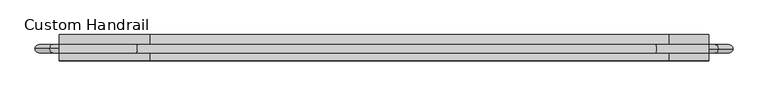
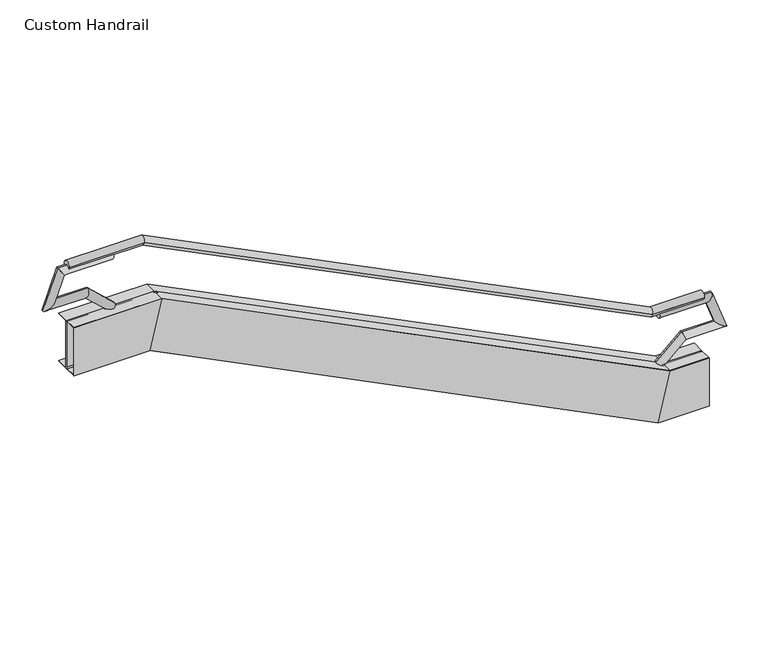
"""IFC4 building model written with IfcOpenShell, lengths in millimetres: railing geometry, Custom Handrail."""

from ifc_helpers import new_model, si_unit, frame, origin, place, context, project, spatial, polyline, circle_curve, ellipse_curve, faceted_brep, source, transform, mapped, element, save
from ifc_brep_helpers import plane_surface, cylinder_surface, revolved_surface, advanced_brep


def custom_handrail_f0fa3d19(model_context):
    return source(origin(), model_context, "Body", "SolidModel", [
        advanced_brep(
        [(1131.1479602, 1913.7735586, 863.6), (1131.1479602, 2015.3735586, 863.6), (509.5557069, 1913.7735586, 863.6), (509.5557069, 2015.3735586, 863.6), (-5586.4442931, 1913.7735586, 3911.6), (-5586.4442931, 2015.3735586, 3911.6), (-6488.8520398, 1913.7735586, 3911.6), (-6488.8520398, 2015.3735586, 3911.6)],
        [
            (0, 1, circle_curve(frame((1131.1479602, 1964.5735586, 863.6), z_axis=(1.0, 0.0, 0.0), x_axis=(0.0, 1.0, 0.0)), 50.8)),
            (1, 0, circle_curve(frame((1131.1479602, 1964.5735586, 863.6), z_axis=(1.0, 0.0, 0.0), x_axis=(0.0, 1.0, 0.0)), 50.8)),
            (0, 2),
            (2, 3, ellipse_curve(frame((509.5557069, 1964.5735586, 863.6), z_axis=(0.9732489894677302, 0.0, -0.22975292054736124), x_axis=(0.22975292054736096, 0.0, 0.9732489894677302)), 52.1963039, 50.8)),
            (3, 1),
            (3, 2, ellipse_curve(frame((509.5557069, 1964.5735586, 863.6), z_axis=(0.9732489894677302, 0.0, -0.22975292054736124), x_axis=(0.22975292054736096, 0.0, 0.9732489894677302)), 52.1963039, 50.8)),
            (2, 4),
            (4, 5, ellipse_curve(frame((-5586.4442931, 1964.5735586, 3911.6), z_axis=(0.9732489894677302, 0.0, -0.22975292054736132), x_axis=(-0.2297529205473615, 0.0, -0.9732489894677301)), 52.1963039, 50.8)),
            (5, 3),
            (5, 4, ellipse_curve(frame((-5586.4442931, 1964.5735586, 3911.6), z_axis=(0.9732489894677302, 0.0, -0.22975292054736132), x_axis=(-0.2297529205473615, 0.0, -0.9732489894677301)), 52.1963039, 50.8)),
            (6, 7, circle_curve(frame((-6488.8520398, 1964.5735586, 3911.6), z_axis=(-1.0, 0.0, 0.0), x_axis=(0.0, 1.0, 0.0)), 50.8)),
            (7, 6, circle_curve(frame((-6488.8520398, 1964.5735586, 3911.6), z_axis=(-1.0, 0.0, 0.0), x_axis=(0.0, 1.0, 0.0)), 50.8)),
            (4, 6),
            (7, 5),
        ],
        [
            plane_surface(frame((1131.1479602, 1964.5735586, 914.4), z_axis=(1.0, 0.0, 0.0), x_axis=(0.0, -1.0, 0.0))),
            cylinder_surface(frame((1131.1479602, 1964.5735586, 863.6), z_axis=(1.0, 0.0, 0.0), x_axis=(0.0, 1.0, 0.0)), 50.8),
            cylinder_surface(frame((498.8295095, 1964.5735586, 868.9630987), z_axis=(0.8944271909999159, 0.0, -0.44721359549995804), x_axis=(0.0, 1.0, 0.0)), 50.8),
            plane_surface(frame((-6488.8520398, 1964.5735586, 3962.4), z_axis=(-1.0, 0.0, 0.0), x_axis=(0.0, -1.0, 0.0))),
            cylinder_surface(frame((-5574.4520398, 1964.5735586, 3911.6), z_axis=(1.0, 0.0, 0.0), x_axis=(0.0, 1.0, 0.0)), 50.8),
        ],
        [
            (0, [[1, 2]]),
            (1, [[-1, 3, 4, 5]]),
            (1, [[-2, -5, 6, -3]]),
            (2, [[-4, 7, 8, 9]]),
            (2, [[-6, -9, 10, -7]]),
            (3, [[11, 12]]),
            (4, [[-8, 13, -12, 14]]),
            (4, [[-10, -14, -11, -13]]),
        ],
    ),
        advanced_brep(
        [(1131.1479602, 1824.8735586, -457.2), (1131.1479602, 1977.2735586, -457.2), (1131.1479602, 2129.6735586, -457.2), (1131.1479602, 2129.6735586, -450.85), (1131.1479602, 1996.3235586, -450.85), (1131.1479602, 1983.6235586, -438.15), (1131.1479602, 1983.6235586, 133.35), (1131.1479602, 1996.3235586, 146.05), (1131.1479602, 2129.6735586, 146.05), (1131.1479602, 2129.6735586, 152.4), (1131.1479602, 1977.2735586, 152.4), (1131.1479602, 1824.8735586, 152.4), (1131.1479602, 1824.8735586, 146.05), (1131.1479602, 1958.2235586, 146.05), (1131.1479602, 1970.9235586, 133.35), (1131.1479602, 1970.9235586, -438.15), (1131.1479602, 1958.2235586, -450.85), (1131.1479602, 1824.8735586, -450.85), (521.5479602, 1824.8735586, -457.2), (521.5479602, 1977.2735586, -457.2), (521.5479602, 2129.6735586, -457.2), (523.0469918, 2129.6735586, -450.85), (523.0469918, 1996.3235586, -450.85), (526.0450551, 1983.6235586, -438.15), (660.9579043, 1983.6235586, 133.35), (663.9559676, 1996.3235586, 146.05), (663.9559676, 2129.6735586, 146.05), (665.4549993, 2129.6735586, 152.4), (665.4549993, 1977.2735586, 152.4), (665.4549993, 1824.8735586, 152.4), (663.9559676, 1824.8735586, 146.05), (663.9559676, 1958.2235586, 146.05), (660.9579043, 1970.9235586, 133.35), (526.0450551, 1970.9235586, -438.15), (523.0469918, 1958.2235586, -450.85), (523.0469918, 1824.8735586, -450.85), (-5574.4520398, 1824.8735586, 2590.8), (-5574.4520398, 1977.2735586, 2590.8), (-5574.4520398, 2129.6735586, 2590.8), (-5572.9530082, 2129.6735586, 2597.15), (-5572.9530082, 1996.3235586, 2597.15), (-5569.9549449, 1983.6235586, 2609.85), (-5435.0420957, 1983.6235586, 3181.35), (-5432.0440324, 1996.3235586, 3194.05), (-5432.0440324, 2129.6735586, 3194.05), (-5430.5450007, 2129.6735586, 3200.4), (-5430.5450007, 1977.2735586, 3200.4), (-5430.5450007, 1824.8735586, 3200.4), (-5432.0440324, 1824.8735586, 3194.05), (-5432.0440324, 1958.2235586, 3194.05), (-5435.0420957, 1970.9235586, 3181.35), (-5569.9549449, 1970.9235586, 2609.85), (-5572.9530082, 1958.2235586, 2597.15), (-5572.9530082, 1824.8735586, 2597.15), (-6488.8520398, 1824.8735586, 2590.8), (-6488.8520398, 1824.8735586, 2597.15), (-6488.8520398, 1958.2235586, 2597.15), (-6488.8520398, 1970.9235586, 2609.85), (-6488.8520398, 1970.9235586, 3181.35), (-6488.8520398, 1958.2235586, 3194.05), (-6488.8520398, 1824.8735586, 3194.05), (-6488.8520398, 1824.8735586, 3200.4), (-6488.8520398, 1977.2735586, 3200.4), (-6488.8520398, 2129.6735586, 3200.4), (-6488.8520398, 2129.6735586, 3194.05), (-6488.8520398, 1996.3235586, 3194.05), (-6488.8520398, 1983.6235586, 3181.35), (-6488.8520398, 1983.6235586, 2609.85), (-6488.8520398, 1996.3235586, 2597.15), (-6488.8520398, 2129.6735586, 2597.15), (-6488.8520398, 2129.6735586, 2590.8), (-6488.8520398, 1977.2735586, 2590.8)],
        [
            (0, 1),
            (1, 2),
            (2, 3),
            (3, 4),
            (4, 5, circle_curve(frame((1131.1479602, 1996.3235586, -438.15), z_axis=(-1.0, 0.0, 0.0), x_axis=(0.0, 1.0, 0.0)), 12.7)),
            (5, 6),
            (6, 7, circle_curve(frame((1131.1479602, 1996.3235586, 133.35), z_axis=(-1.0, 0.0, 0.0), x_axis=(0.0, 1.0, 0.0)), 12.7)),
            (7, 8),
            (8, 9),
            (9, 10),
            (10, 11),
            (11, 12),
            (12, 13),
            (13, 14, circle_curve(frame((1131.1479602, 1958.2235586, 133.35), z_axis=(-1.0, 0.0, 0.0), x_axis=(0.0, 1.0, 0.0)), 12.7)),
            (14, 15),
            (15, 16, circle_curve(frame((1131.1479602, 1958.2235586, -438.15), z_axis=(-1.0, 0.0, 0.0), x_axis=(0.0, 1.0, 0.0)), 12.7)),
            (16, 17),
            (17, 0),
            (0, 18),
            (18, 19),
            (19, 1),
            (19, 20),
            (20, 2),
            (20, 21),
            (21, 3),
            (21, 22),
            (22, 4),
            (22, 23, ellipse_curve(frame((526.0450551, 1996.3235586, -438.15), z_axis=(-0.9732489894677302, 0.0, 0.22975292054736124), x_axis=(-0.22975292054736096, 0.0, -0.9732489894677302)), 13.049076, 12.7)),
            (23, 5),
            (23, 24),
            (24, 6),
            (24, 25, ellipse_curve(frame((660.9579043, 1996.3235586, 133.35), z_axis=(-0.9732489894677302, 0.0, 0.22975292054736124), x_axis=(-0.22975292054736096, 0.0, -0.9732489894677302)), 13.049076, 12.7)),
            (25, 7),
            (25, 26),
            (26, 8),
            (26, 27),
            (27, 9),
            (27, 28),
            (28, 10),
            (28, 29),
            (29, 11),
            (29, 30),
            (30, 12),
            (30, 31),
            (31, 13),
            (31, 32, ellipse_curve(frame((660.9579043, 1958.2235586, 133.35), z_axis=(-0.9732489894677302, 0.0, 0.22975292054736124), x_axis=(-0.22975292054736096, 0.0, -0.9732489894677302)), 13.049076, 12.7)),
            (32, 14),
            (32, 33),
            (33, 15),
            (33, 34, ellipse_curve(frame((526.0450551, 1958.2235586, -438.15), z_axis=(-0.9732489894677302, 0.0, 0.22975292054736124), x_axis=(-0.22975292054736096, 0.0, -0.9732489894677302)), 13.049076, 12.7)),
            (34, 16),
            (34, 35),
            (35, 17),
            (35, 18),
            (18, 36),
            (36, 37),
            (37, 19),
            (37, 38),
            (38, 20),
            (38, 39),
            (39, 21),
            (39, 40),
            (40, 22),
            (40, 41, ellipse_curve(frame((-5569.9549449, 1996.3235586, 2609.85), z_axis=(-0.9732489894677302, 0.0, 0.22975292054736132), x_axis=(0.2297529205473615, 0.0, 0.9732489894677301)), 13.049076, 12.7)),
            (41, 23),
            (41, 42),
            (42, 24),
            (42, 43, ellipse_curve(frame((-5435.0420957, 1996.3235586, 3181.35), z_axis=(-0.9732489894677302, 0.0, 0.22975292054736132), x_axis=(0.2297529205473615, 0.0, 0.9732489894677301)), 13.049076, 12.7)),
            (43, 25),
            (43, 44),
            (44, 26),
            (44, 45),
            (45, 27),
            (45, 46),
            (46, 28),
            (46, 47),
            (47, 29),
            (47, 48),
            (48, 30),
            (48, 49),
            (49, 31),
            (49, 50, ellipse_curve(frame((-5435.0420957, 1958.2235586, 3181.35), z_axis=(-0.9732489894677302, 0.0, 0.22975292054736132), x_axis=(0.2297529205473615, 0.0, 0.9732489894677301)), 13.049076, 12.7)),
            (50, 32),
            (50, 51),
            (51, 33),
            (51, 52, ellipse_curve(frame((-5569.9549449, 1958.2235586, 2609.85), z_axis=(-0.9732489894677302, 0.0, 0.22975292054736132), x_axis=(0.2297529205473615, 0.0, 0.9732489894677301)), 13.049076, 12.7)),
            (52, 34),
            (52, 53),
            (53, 35),
            (53, 36),
            (54, 55),
            (55, 56),
            (56, 57, circle_curve(frame((-6488.8520398, 1958.2235586, 2609.85), z_axis=(1.0, 0.0, 0.0), x_axis=(0.0, 1.0, 0.0)), 12.7)),
            (57, 58),
            (58, 59, circle_curve(frame((-6488.8520398, 1958.2235586, 3181.35), z_axis=(1.0, 0.0, 0.0), x_axis=(0.0, 1.0, 0.0)), 12.7)),
            (59, 60),
            (60, 61),
            (61, 62),
            (62, 63),
            (63, 64),
            (64, 65),
            (65, 66, circle_curve(frame((-6488.8520398, 1996.3235586, 3181.35), z_axis=(1.0, 0.0, 0.0), x_axis=(0.0, 1.0, 0.0)), 12.7)),
            (66, 67),
            (67, 68, circle_curve(frame((-6488.8520398, 1996.3235586, 2609.85), z_axis=(1.0, 0.0, 0.0), x_axis=(0.0, 1.0, 0.0)), 12.7)),
            (68, 69),
            (69, 70),
            (70, 71),
            (71, 54),
            (36, 54),
            (71, 37),
            (70, 38),
            (69, 39),
            (68, 40),
            (67, 41),
            (66, 42),
            (65, 43),
            (64, 44),
            (63, 45),
            (62, 46),
            (61, 47),
            (60, 48),
            (59, 49),
            (58, 50),
            (57, 51),
            (56, 52),
            (55, 53),
        ],
        [
            plane_surface(frame((1131.1479602, 1977.2735586, -457.2), z_axis=(1.0, 0.0, 0.0), x_axis=(0.0, -1.0, 0.0))),
            plane_surface(frame((1131.1479602, 1824.8735586, -457.2), z_axis=(0.0, 0.0, -1.0), x_axis=(-1.0, 0.0, 0.0))),
            plane_surface(frame((1131.1479602, 1977.2735586, -457.2), z_axis=(0.0, 0.0, -1.0), x_axis=(-1.0, 0.0, 0.0))),
            plane_surface(frame((1131.1479602, 2129.6735586, -457.2), z_axis=(0.0, 1.0, 0.0), x_axis=(-1.0, 0.0, 0.0))),
            plane_surface(frame((1131.1479602, 2129.6735586, -450.85), z_axis=(0.0, 0.0, 1.0), x_axis=(-1.0, 0.0, 0.0))),
            revolved_surface(polyline([(523.0469917785556, 2009.0235586000001, -438.15), (1131.1479602, 2009.0235586000001, -438.15)]), (1131.1479602, 1996.3235586, -438.15), (-1.0, 0.0, 0.0)),
            plane_surface(frame((1131.1479602, 1983.6235586, -438.15), z_axis=(0.0, 1.0, 0.0), x_axis=(-1.0, 0.0, 0.0))),
            revolved_surface(polyline([(657.9598409785556, 2009.0235586000001, 133.35), (1131.1479602, 2009.0235586000001, 133.35)]), (1131.1479602, 1996.3235586, 133.35), (-1.0, 0.0, 0.0)),
            plane_surface(frame((1131.1479602, 1996.3235586, 146.05), z_axis=(0.0, 0.0, -1.0), x_axis=(-1.0, 0.0, 0.0))),
            plane_surface(frame((1131.1479602, 2129.6735586, 146.05), z_axis=(0.0, 1.0, 0.0), x_axis=(-1.0, 0.0, 0.0))),
            plane_surface(frame((1131.1479602, 2129.6735586, 152.4), z_axis=(0.0, 0.0, 1.0), x_axis=(-1.0, 0.0, 0.0))),
            plane_surface(frame((1131.1479602, 1977.2735586, 152.4), z_axis=(0.0, 0.0, 1.0), x_axis=(-1.0, 0.0, 0.0))),
            plane_surface(frame((1131.1479602, 1824.8735586, 152.4), z_axis=(0.0, -1.0, 0.0), x_axis=(-1.0, 0.0, 0.0))),
            plane_surface(frame((1131.1479602, 1824.8735586, 146.05), z_axis=(0.0, 0.0, -1.0), x_axis=(-1.0, 0.0, 0.0))),
            revolved_surface(polyline([(657.9598409785556, 1970.9235586, 133.35), (1131.1479602, 1970.9235586, 133.35)]), (1131.1479602, 1958.2235586, 133.35), (-1.0, 0.0, 0.0)),
            plane_surface(frame((1131.1479602, 1970.9235586, 133.35), z_axis=(0.0, -1.0, 0.0), x_axis=(-1.0, 0.0, 0.0))),
            revolved_surface(polyline([(523.0469917785556, 1970.9235586, -438.15), (1131.1479602, 1970.9235586, -438.15)]), (1131.1479602, 1958.2235586, -438.15), (-1.0, 0.0, 0.0)),
            plane_surface(frame((1131.1479602, 1958.2235586, -450.85), z_axis=(0.0, 0.0, 1.0), x_axis=(-1.0, 0.0, 0.0))),
            plane_surface(frame((1131.1479602, 1824.8735586, -450.85), z_axis=(0.0, -1.0, 0.0), x_axis=(-1.0, 0.0, 0.0))),
            plane_surface(frame((521.5479602, 1824.8735586, -457.2), z_axis=(-0.447213595499958, 0.0, -0.894427190999916), x_axis=(-0.894427190999916, 0.0, 0.447213595499958))),
            plane_surface(frame((521.5479602, 1977.2735586, -457.2), z_axis=(-0.447213595499958, 0.0, -0.894427190999916), x_axis=(-0.894427190999916, 0.0, 0.447213595499958))),
            plane_surface(frame((521.5479602, 2129.6735586, -457.2), z_axis=(0.0, 1.0000000000000002, 0.0), x_axis=(-0.894427190999916, 0.0, 0.447213595499958))),
            plane_surface(frame((523.0469918, 2129.6735586, -450.85), z_axis=(0.44721359549995787, 0.0, 0.894427190999916), x_axis=(-0.894427190999916, 0.0, 0.44721359549995787))),
            revolved_surface(polyline([(-5572.636494235039, 2009.0235586000001, 2611.19077471752), (528.72660448, 2009.0235586000001, -439.49077464)]), (530.0673792, 1996.3235586, -440.161162), (-0.8944271909999159, 0.0, 0.44721359549995804)),
            plane_surface(frame((526.0450551, 1983.6235586, -438.15), z_axis=(0.0, 1.0, 0.0), x_axis=(-0.894427190999916, 0.0, 0.44721359549995787))),
            revolved_surface(polyline([(-5437.723645080001, 2009.0235586000001, 3182.690774640001), (663.6394536350394, 2009.0235586000001, 132.0092252824803)]), (785.649949, 1996.3235586, 71.0039776), (-0.8944271909999159, 0.0, 0.44721359549995804)),
            plane_surface(frame((663.9559676, 1996.3235586, 146.05), z_axis=(-0.4472135954999581, 0.0, -0.8944271909999159), x_axis=(-0.8944271909999159, 0.0, 0.4472135954999581))),
            plane_surface(frame((663.9559676, 2129.6735586, 146.05), z_axis=(0.0, 1.0, 0.0), x_axis=(-0.8944271909999159, 0.0, 0.447213595499958))),
            plane_surface(frame((665.4549993, 2129.6735586, 152.4), z_axis=(0.44721359549995787, 0.0, 0.894427190999916), x_axis=(-0.894427190999916, 0.0, 0.44721359549995787))),
            plane_surface(frame((665.4549993, 1977.2735586, 152.4), z_axis=(0.447213595499958, 0.0, 0.894427190999916), x_axis=(-0.894427190999916, 0.0, 0.447213595499958))),
            plane_surface(frame((665.4549993, 1824.8735586, 152.4), z_axis=(0.0, -1.0000000000000002, 0.0), x_axis=(-0.894427190999916, 0.0, 0.447213595499958))),
            plane_surface(frame((663.9559676, 1824.8735586, 146.05), z_axis=(-0.447213595499958, 0.0, -0.894427190999916), x_axis=(-0.894427190999916, 0.0, 0.447213595499958))),
            revolved_surface(polyline([(-5437.723645080001, 1970.9235586, 3182.690774640001), (663.6394536350394, 1970.9235586, 132.0092252824803)]), (785.649949, 1958.2235586, 71.0039776), (-0.8944271909999159, 0.0, 0.44721359549995804)),
            plane_surface(frame((660.9579043, 1970.9235586, 133.35), z_axis=(0.0, -1.0, 0.0), x_axis=(-0.894427190999916, 0.0, 0.44721359549995787))),
            revolved_surface(polyline([(-5572.636494235039, 1970.9235586, 2611.19077471752), (528.72660448, 1970.9235586, -439.49077464)]), (530.0673792, 1958.2235586, -440.161162), (-0.8944271909999159, 0.0, 0.44721359549995804)),
            plane_surface(frame((523.0469918, 1958.2235586, -450.85), z_axis=(0.447213595499958, 0.0, 0.894427190999916), x_axis=(-0.894427190999916, 0.0, 0.447213595499958))),
            plane_surface(frame((523.0469918, 1824.8735586, -450.85), z_axis=(0.0, -1.0, 0.0), x_axis=(-0.894427190999916, 0.0, 0.44721359549995787))),
            plane_surface(frame((-6488.8520398, 1977.2735586, 2590.8), z_axis=(-1.0, 0.0, 0.0), x_axis=(0.0, -1.0, 0.0))),
            plane_surface(frame((-5574.4520398, 1824.8735586, 2590.8), z_axis=(0.0, 0.0, -1.0), x_axis=(-1.0, 0.0, 0.0))),
            plane_surface(frame((-5574.4520398, 1977.2735586, 2590.8), z_axis=(0.0, 0.0, -1.0), x_axis=(-1.0, 0.0, 0.0))),
            plane_surface(frame((-5574.4520398, 2129.6735586, 2590.8), z_axis=(0.0, 1.0, 0.0), x_axis=(-1.0, 0.0, 0.0))),
            plane_surface(frame((-5572.9530082, 2129.6735586, 2597.15), z_axis=(0.0, 0.0, 1.0), x_axis=(-1.0, 0.0, 0.0))),
            revolved_surface(polyline([(-6488.8520398, 2009.0235586000001, 2609.85), (-5566.956881578555, 2009.0235586000001, 2609.85)]), (-5574.4520398, 1996.3235586, 2609.85), (-1.0, 0.0, 0.0)),
            plane_surface(frame((-5569.9549449, 1983.6235586, 2609.85), z_axis=(0.0, 1.0, 0.0), x_axis=(-1.0, 0.0, 0.0))),
            revolved_surface(polyline([(-6488.8520398, 2009.0235586000001, 3181.35), (-5432.044032378555, 2009.0235586000001, 3181.35)]), (-5574.4520398, 1996.3235586, 3181.35), (-1.0, 0.0, 0.0)),
            plane_surface(frame((-5432.0440324, 1996.3235586, 3194.05), z_axis=(0.0, 0.0, -1.0), x_axis=(-1.0, 0.0, 0.0))),
            plane_surface(frame((-5432.0440324, 2129.6735586, 3194.05), z_axis=(0.0, 1.0, 0.0), x_axis=(-1.0, 0.0, 0.0))),
            plane_surface(frame((-5430.5450007, 2129.6735586, 3200.4), z_axis=(0.0, 0.0, 1.0), x_axis=(-1.0, 0.0, 0.0))),
            plane_surface(frame((-5430.5450007, 1977.2735586, 3200.4), z_axis=(0.0, 0.0, 1.0), x_axis=(-1.0, 0.0, 0.0))),
            plane_surface(frame((-5430.5450007, 1824.8735586, 3200.4), z_axis=(0.0, -1.0, 0.0), x_axis=(-1.0, 0.0, 0.0))),
            plane_surface(frame((-5432.0440324, 1824.8735586, 3194.05), z_axis=(0.0, 0.0, -1.0), x_axis=(-1.0, 0.0, 0.0))),
            revolved_surface(polyline([(-6488.8520398, 1970.9235586, 3181.35), (-5432.044032378555, 1970.9235586, 3181.35)]), (-5574.4520398, 1958.2235586, 3181.35), (-1.0, 0.0, 0.0)),
            plane_surface(frame((-5435.0420957, 1970.9235586, 3181.35), z_axis=(0.0, -1.0, 0.0), x_axis=(-1.0, 0.0, 0.0))),
            revolved_surface(polyline([(-6488.8520398, 1970.9235586, 2609.85), (-5566.956881578555, 1970.9235586, 2609.85)]), (-5574.4520398, 1958.2235586, 2609.85), (-1.0, 0.0, 0.0)),
            plane_surface(frame((-5572.9530082, 1958.2235586, 2597.15), z_axis=(0.0, 0.0, 1.0), x_axis=(-1.0, 0.0, 0.0))),
            plane_surface(frame((-5572.9530082, 1824.8735586, 2597.15), z_axis=(0.0, -1.0, 0.0), x_axis=(-1.0, 0.0, 0.0))),
        ],
        [
            (0, [[1, 2, 3, 4, 5, 6, 7, 8, 9, 10, 11, 12, 13, 14, 15, 16, 17, 18]]),
            (1, [[-1, 19, 20, 21]]),
            (2, [[-2, -21, 22, 23]]),
            (3, [[-3, -23, 24, 25]]),
            (4, [[-4, -25, 26, 27]]),
            (5, [[-5, -27, 28, 29]]),
            (6, [[-6, -29, 30, 31]]),
            (7, [[-7, -31, 32, 33]]),
            (8, [[-8, -33, 34, 35]]),
            (9, [[-9, -35, 36, 37]]),
            (10, [[-10, -37, 38, 39]]),
            (11, [[-11, -39, 40, 41]]),
            (12, [[-12, -41, 42, 43]]),
            (13, [[-13, -43, 44, 45]]),
            (14, [[-14, -45, 46, 47]]),
            (15, [[-15, -47, 48, 49]]),
            (16, [[-16, -49, 50, 51]]),
            (17, [[-17, -51, 52, 53]]),
            (18, [[-18, -53, 54, -19]]),
            (19, [[-20, 55, 56, 57]]),
            (20, [[-22, -57, 58, 59]]),
            (21, [[-24, -59, 60, 61]]),
            (22, [[-26, -61, 62, 63]]),
            (23, [[-28, -63, 64, 65]]),
            (24, [[-30, -65, 66, 67]]),
            (25, [[-32, -67, 68, 69]]),
            (26, [[-34, -69, 70, 71]]),
            (27, [[-36, -71, 72, 73]]),
            (28, [[-38, -73, 74, 75]]),
            (29, [[-40, -75, 76, 77]]),
            (30, [[-42, -77, 78, 79]]),
            (31, [[-44, -79, 80, 81]]),
            (32, [[-46, -81, 82, 83]]),
            (33, [[-48, -83, 84, 85]]),
            (34, [[-50, -85, 86, 87]]),
            (35, [[-52, -87, 88, 89]]),
            (36, [[-54, -89, 90, -55]]),
            (37, [[91, 92, 93, 94, 95, 96, 97, 98, 99, 100, 101, 102, 103, 104, 105, 106, 107, 108]]),
            (38, [[-56, 109, -108, 110]]),
            (39, [[-58, -110, -107, 111]]),
            (40, [[-60, -111, -106, 112]]),
            (41, [[-62, -112, -105, 113]]),
            (42, [[-64, -113, -104, 114]]),
            (43, [[-66, -114, -103, 115]]),
            (44, [[-68, -115, -102, 116]]),
            (45, [[-70, -116, -101, 117]]),
            (46, [[-72, -117, -100, 118]]),
            (47, [[-74, -118, -99, 119]]),
            (48, [[-76, -119, -98, 120]]),
            (49, [[-78, -120, -97, 121]]),
            (50, [[-80, -121, -96, 122]]),
            (51, [[-82, -122, -95, 123]]),
            (52, [[-84, -123, -94, 124]]),
            (53, [[-86, -124, -93, 125]]),
            (54, [[-88, -125, -92, 126]]),
            (55, [[-90, -126, -91, -109]]),
        ],
    ),
        faceted_brep([(1131.1479602, 1818.5235586, 152.4), (1131.1479602, 1818.5235586, -457.2), (1131.1479602, 1824.8735586, -457.2), (1131.1479602, 1824.8735586, 152.4), (665.4549993, 1818.5235586, 152.4), (521.5479602, 1818.5235586, -457.2), (521.5479602, 1824.8735586, -457.2), (665.4549993, 1824.8735586, 152.4), (-5430.5450007, 1818.5235586, 3200.4), (-5574.4520398, 1818.5235586, 2590.8), (-5574.4520398, 1824.8735586, 2590.8), (-5430.5450007, 1824.8735586, 3200.4), (-6488.8520398, 1818.5235586, 3200.4), (-6488.8520398, 1824.8735586, 3200.4), (-6488.8520398, 1824.8735586, 2590.8), (-6488.8520398, 1818.5235586, 2590.8)], [[[0, 1, 2, 3]], [[1, 0, 4, 5]], [[2, 1, 5, 6]], [[3, 2, 6, 7]], [[0, 3, 7, 4]], [[5, 4, 8, 9]], [[6, 5, 9, 10]], [[7, 6, 10, 11]], [[4, 7, 11, 8]], [[12, 13, 14, 15]], [[9, 8, 12, 15]], [[10, 9, 15, 14]], [[11, 10, 14, 13]], [[8, 11, 13, 12]]]),
        advanced_brep(
        [(-5955.4520398, 1964.5735586, 3911.6), (-5955.4520398, 1964.5735586, 3810.0), (-6600.6225828, 1964.5735586, 3911.6), (-6529.4814969, 1964.5735586, 3810.0), (-6776.5989448, 1964.5735586, 3428.1089189), (-6631.4991073, 1964.5735586, 3529.7089189), (-6279.9659017, 1964.5735586, 3428.1089189), (-6240.5381779, 1964.5735586, 3529.7089189), (-5989.7192312, 1964.5735586, 3162.8980055), (-5921.1848484, 1964.5735586, 3237.9019945)],
        [
            (0, 1, circle_curve(frame((-5955.4520398, 1964.5735586, 3860.8), z_axis=(1.0, 0.0, 0.0), x_axis=(0.0, 0.0, -1.0)), 50.8)),
            (1, 0, circle_curve(frame((-5955.4520398, 1964.5735586, 3860.8), z_axis=(1.0, 0.0, 0.0), x_axis=(0.0, 0.0, -1.0)), 50.8)),
            (0, 2),
            (2, 3, ellipse_curve(frame((-6565.0520398, 1964.5735586, 3860.8), z_axis=(0.8191520442889922, 0.0, 0.5735764363510455), x_axis=(0.5735764363510455, 0.0, -0.8191520442889922)), 62.0153491, 50.8)),
            (3, 1),
            (3, 2, ellipse_curve(frame((-6565.0520398, 1964.5735586, 3860.8), z_axis=(0.8191520442889922, 0.0, 0.5735764363510455), x_axis=(0.5735764363510455, 0.0, -0.8191520442889922)), 62.0153491, 50.8)),
            (2, 4),
            (4, 5, ellipse_curve(frame((-6704.0490261, 1964.5735586, 3478.9089189), z_axis=(-0.5735764363510455, 0.0, 0.8191520442889922), x_axis=(0.8191520442889922, 0.0, 0.5735764363510455)), 88.5670972, 50.8)),
            (5, 3),
            (5, 4, ellipse_curve(frame((-6704.0490261, 1964.5735586, 3478.9089189), z_axis=(-0.5735764363510455, 0.0, 0.8191520442889922), x_axis=(0.8191520442889922, 0.0, 0.5735764363510455)), 88.5670972, 50.8)),
            (4, 6),
            (6, 7, ellipse_curve(frame((-6260.2520398, 1964.5735586, 3478.9089189), z_axis=(-0.932262902371369, 0.0, 0.3617815374809931), x_axis=(-0.3617815374809932, 0.0, -0.9322629023713689)), 54.4910667, 50.8)),
            (7, 5),
            (7, 6, ellipse_curve(frame((-6260.2520398, 1964.5735586, 3478.9089189), z_axis=(-0.932262902371369, 0.0, 0.3617815374809931), x_axis=(-0.3617815374809932, 0.0, -0.9322629023713689)), 54.4910667, 50.8)),
            (8, 9, circle_curve(frame((-5955.4520398, 1964.5735586, 3200.4), z_axis=(0.7382282382757775, 0.0, -0.6745510123128138), x_axis=(0.6745510123128138, 0.0, 0.7382282382757775)), 50.8)),
            (9, 8, circle_curve(frame((-5955.4520398, 1964.5735586, 3200.4), z_axis=(0.7382282382757775, 0.0, -0.6745510123128138), x_axis=(0.6745510123128138, 0.0, 0.7382282382757775)), 50.8)),
            (6, 8),
            (9, 7),
        ],
        [
            plane_surface(frame((-5955.4520398, 1964.5735586, 3860.8), z_axis=(1.0, 0.0, 0.0), x_axis=(0.0, -1.0, 0.0))),
            cylinder_surface(frame((-5955.4520398, 1964.5735586, 3860.8), z_axis=(1.0, 0.0, 0.0), x_axis=(0.0, 0.0, -1.0)), 50.8),
            cylinder_surface(frame((-6565.0520398, 1964.5735586, 3860.8), z_axis=(0.3420201433256702, 0.0, 0.9396926207859079), x_axis=(0.9396926207859079, 0.0, -0.3420201433256702)), 50.8),
            cylinder_surface(frame((-6704.0490261, 1964.5735586, 3478.9089189), z_axis=(-1.0, 0.0, 0.0), x_axis=(0.0, 0.0, 1.0)), 50.8),
            plane_surface(frame((-5955.4520398, 1964.5735586, 3200.4), z_axis=(0.7382282382757777, 0.0, -0.6745510123128139), x_axis=(0.0, -1.0, 0.0))),
            cylinder_surface(frame((-6260.2520398, 1964.5735586, 3478.9089189), z_axis=(-0.7382282382757775, 0.0, 0.6745510123128138), x_axis=(0.6745510123128138, 0.0, 0.7382282382757775)), 50.8),
        ],
        [
            (0, [[1, 2]]),
            (1, [[-1, 3, 4, 5]]),
            (1, [[-2, -5, 6, -3]]),
            (2, [[-4, 7, 8, 9]]),
            (2, [[-6, -9, 10, -7]]),
            (3, [[-8, 11, 12, 13]]),
            (3, [[-10, -13, 14, -11]]),
            (4, [[15, 16]]),
            (5, [[-12, 17, -16, 18]]),
            (5, [[-14, -18, -15, -17]]),
        ],
    ),
        advanced_brep(
        [(597.7479602, 1964.5735586, 863.6), (597.7479602, 1964.5735586, 762.0), (1242.9185031, 1964.5735586, 863.6), (1171.7774172, 1964.5735586, 762.0), (1418.8948652, 1964.5735586, 380.1089189), (1273.7950277, 1964.5735586, 481.7089189), (922.2618221, 1964.5735586, 380.1089189), (882.8340983, 1964.5735586, 481.7089189), (632.0151516, 1964.5735586, 114.8980055), (563.4807688, 1964.5735586, 189.9019945)],
        [
            (0, 1, circle_curve(frame((597.7479602, 1964.5735586, 812.8), z_axis=(-1.0, 0.0, 0.0), x_axis=(0.0, 0.0, -1.0)), 50.8)),
            (1, 0, circle_curve(frame((597.7479602, 1964.5735586, 812.8), z_axis=(-1.0, 0.0, 0.0), x_axis=(0.0, 0.0, -1.0)), 50.8)),
            (0, 2),
            (2, 3, ellipse_curve(frame((1207.3479602, 1964.5735586, 812.8), z_axis=(-0.8191520442889922, 0.0, 0.5735764363510455), x_axis=(-0.5735764363510455, 0.0, -0.8191520442889922)), 62.0153491, 50.8)),
            (3, 1),
            (3, 2, ellipse_curve(frame((1207.3479602, 1964.5735586, 812.8), z_axis=(-0.8191520442889922, 0.0, 0.5735764363510455), x_axis=(-0.5735764363510455, 0.0, -0.8191520442889922)), 62.0153491, 50.8)),
            (2, 4),
            (4, 5, ellipse_curve(frame((1346.3449464, 1964.5735586, 430.9089189), z_axis=(0.5735764363510455, 0.0, 0.8191520442889922), x_axis=(-0.8191520442889922, 0.0, 0.5735764363510455)), 88.5670972, 50.8)),
            (5, 3),
            (5, 4, ellipse_curve(frame((1346.3449464, 1964.5735586, 430.9089189), z_axis=(0.5735764363510455, 0.0, 0.8191520442889922), x_axis=(-0.8191520442889922, 0.0, 0.5735764363510455)), 88.5670972, 50.8)),
            (4, 6),
            (6, 7, ellipse_curve(frame((902.5479602, 1964.5735586, 430.9089189), z_axis=(0.932262902371369, 0.0, 0.3617815374809931), x_axis=(0.3617815374809932, 0.0, -0.9322629023713689)), 54.4910667, 50.8)),
            (7, 5),
            (7, 6, ellipse_curve(frame((902.5479602, 1964.5735586, 430.9089189), z_axis=(0.932262902371369, 0.0, 0.3617815374809931), x_axis=(0.3617815374809932, 0.0, -0.9322629023713689)), 54.4910667, 50.8)),
            (8, 9, circle_curve(frame((597.7479602, 1964.5735586, 152.4), z_axis=(-0.7382282382757775, 0.0, -0.6745510123128138), x_axis=(-0.6745510123128138, 0.0, 0.7382282382757775)), 50.8)),
            (9, 8, circle_curve(frame((597.7479602, 1964.5735586, 152.4), z_axis=(-0.7382282382757775, 0.0, -0.6745510123128138), x_axis=(-0.6745510123128138, 0.0, 0.7382282382757775)), 50.8)),
            (6, 8),
            (9, 7),
        ],
        [
            plane_surface(frame((597.7479602, 1964.5735586, 812.8), z_axis=(-1.0, 0.0, 0.0), x_axis=(0.0, -1.0, 0.0))),
            cylinder_surface(frame((597.7479602, 1964.5735586, 812.8), z_axis=(-1.0, 0.0, 0.0), x_axis=(0.0, 0.0, -1.0)), 50.8),
            cylinder_surface(frame((1207.3479602, 1964.5735586, 812.8), z_axis=(-0.3420201433256702, 0.0, 0.9396926207859079), x_axis=(-0.9396926207859079, 0.0, -0.3420201433256702)), 50.8),
            cylinder_surface(frame((1346.3449464, 1964.5735586, 430.9089189), z_axis=(1.0, 0.0, 0.0), x_axis=(0.0, 0.0, 1.0)), 50.8),
            plane_surface(frame((597.7479602, 1964.5735586, 152.4), z_axis=(-0.7382282382757777, 0.0, -0.6745510123128139), x_axis=(0.0, -1.0, 0.0))),
            cylinder_surface(frame((902.5479602, 1964.5735586, 430.9089189), z_axis=(0.7382282382757775, 0.0, 0.6745510123128138), x_axis=(-0.6745510123128138, 0.0, 0.7382282382757775)), 50.8),
        ],
        [
            (0, [[1, 2]]),
            (1, [[-1, 3, 4, 5]]),
            (1, [[-2, -5, 6, -3]]),
            (2, [[-4, 7, 8, 9]]),
            (2, [[-6, -9, 10, -7]]),
            (3, [[-8, 11, 12, 13]]),
            (3, [[-10, -13, 14, -11]]),
            (4, [[15, 16]]),
            (5, [[-12, 17, -16, 18]]),
            (5, [[-14, -18, -15, -17]]),
        ],
    ),
    ])


if __name__ == "__main__":
    model = new_model("IFC4")
    model_context = context("Model", 3, world=origin())
    ifc_project = project(units=[si_unit("LENGTHUNIT", "METRE", prefix="MILLI")], contexts=[model_context])
    site = spatial("IfcSite", under=ifc_project)
    building = spatial("IfcBuilding", under=site)
    placement = place(None, origin())
    custom_handrail_shape = custom_handrail_f0fa3d19(model_context)
    element("IfcRailing", 1, ObjectType="Custom Handrail", at=placement, inside=building, context=model_context, shape_type="MappedRepresentation", body=[
        mapped(custom_handrail_shape, transform((0.0, 0.0, 0.0), x_axis=(1.0, 0.0, 0.0), y_axis=(0.0, 1.0, 0.0), z_axis=(0.0, 0.0, 1.0))),
    ])
    save(model, "model.ifc")
